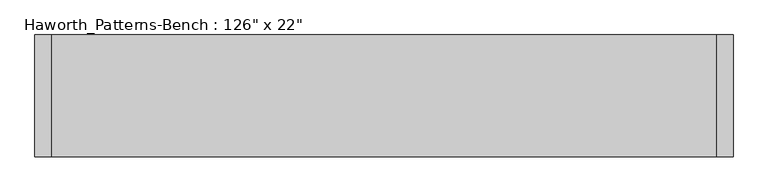
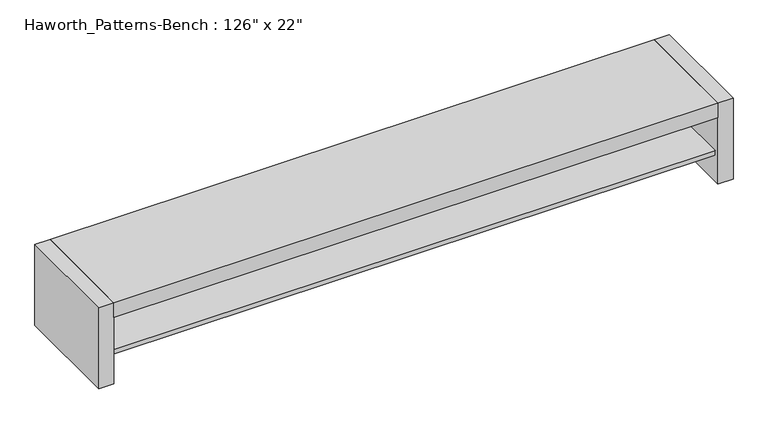
"""IFC4 building model written with IfcOpenShell, lengths in millimetres: furniture geometry."""

from ifc_helpers import new_model, si_unit, frame, origin, origin_with_axes, place, context, project, spatial, polyline, outline, extrude, source, transform, mapped, element, save


def furniture_b4a559b3(model_context):
    return source(origin(), model_context, "Body", "SweptSolid", [
        extrude(outline(polyline([(1524.0, 0.0), (1524.0, -558.8), (-1524.0, -558.8), (-1524.0, 0.0), (1524.0, 0.0)])), frame((0.0, 0.0, 355.6), z_axis=(0.0, 0.0, 1.0), x_axis=(1.0, 0.0, 0.0)), (0.0, 0.0, 1.0), 76.2),
        extrude(outline(polyline([(1524.0, -25.4), (1524.0, -533.4), (-1524.0, -533.4), (-1524.0, -25.4), (1524.0, -25.4)])), frame((0.0, 0.0, 139.7), z_axis=(0.0, 0.0, 1.0), x_axis=(1.0, 0.0, 0.0)), (0.0, 0.0, 1.0), 25.4),
        extrude(outline(polyline([(1524.0, -254.0), (1524.0, -304.8), (-1524.0, -304.8), (-1524.0, -254.0), (1524.0, -254.0)])), frame((0.0, 0.0, 165.1), z_axis=(0.0, 0.0, 1.0), x_axis=(1.0, 0.0, 0.0)), (0.0, 0.0, 1.0), 190.5),
        extrude(outline(polyline([(1524.0, 0.0), (1600.2, 0.0), (1600.2, -558.8), (1524.0, -558.8), (1524.0, 0.0)])), origin_with_axes(), (0.0, 0.0, 1.0), 431.8),
        extrude(outline(polyline([(-1524.0, 0.0), (-1524.0, -558.8), (-1600.2, -558.8), (-1600.2, 0.0), (-1524.0, 0.0)])), origin_with_axes(), (0.0, 0.0, 1.0), 431.8),
    ])


if __name__ == "__main__":
    model = new_model("IFC4")
    model_context = context("Model", 3, world=origin())
    ifc_project = project(units=[si_unit("LENGTHUNIT", "METRE", prefix="MILLI")], contexts=[model_context])
    site = spatial("IfcSite", under=ifc_project)
    building = spatial("IfcBuilding", under=site)
    placement = place(None, origin())
    furniture_shape = furniture_b4a559b3(model_context)
    element("IfcFurniture", 1, ObjectType="Haworth_Patterns-Bench : 126\" x 22\"", at=placement, inside=building, context=model_context, shape_type="MappedRepresentation", body=[
        mapped(furniture_shape, transform((0.0, 0.0, 0.0), x_axis=(1.0, 0.0, 0.0), y_axis=(0.0, 1.0, 0.0), z_axis=(0.0, 0.0, 1.0))),
    ])
    save(model, "model.ifc")
